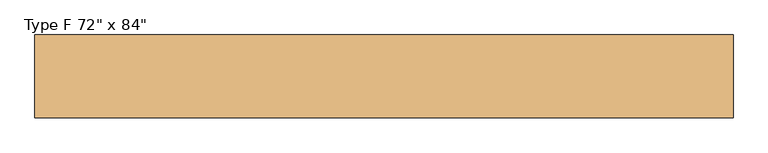
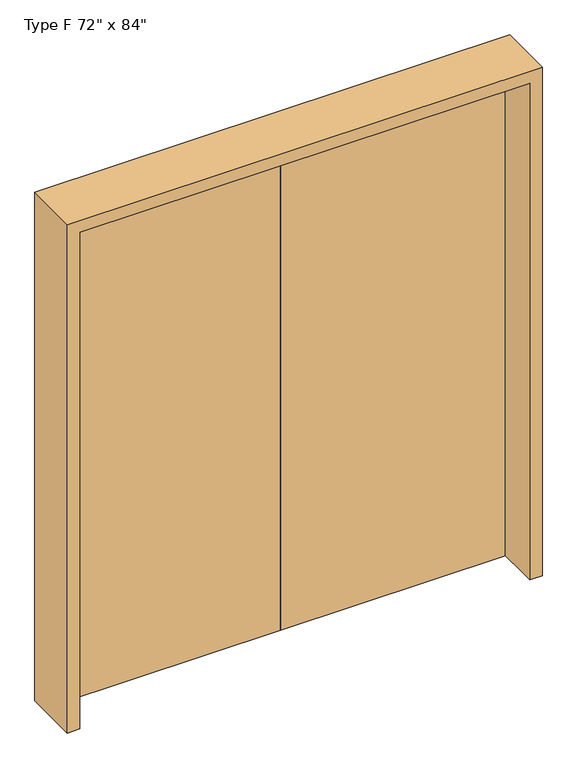
"""IFC4 building model written with IfcOpenShell, lengths in millimetres: door geometry."""

from ifc_helpers import new_model, si_unit, frame, origin, origin_with_axes, place, context, project, spatial, polyline, outline, extrude, source, transform, mapped, element, save


def door_7f9a11d6(model_context):
    return source(origin(), model_context, "Body", "SweptSolid", [
        extrude(outline(polyline([(0.0, 101.6), (0.0, 57.15), (-914.4, 57.15), (-914.4, 101.6), (0.0, 101.6)])), origin_with_axes(), (0.0, 0.0, 1.0), 2133.6),
        extrude(outline(polyline([(0.0, 101.6), (914.4, 101.6), (914.4, 57.15), (0.0, 57.15), (0.0, 101.6)])), origin_with_axes(), (0.0, 0.0, 1.0), 2133.6),
        extrude(outline(polyline([(0.0, 965.2), (2184.4, 965.2), (2184.4, -965.2), (0.0, -965.2), (0.0, -914.4), (2133.6, -914.4), (2133.6, 914.4), (0.0, 914.4), (0.0, 965.2)])), frame((0.0, -114.3, 0.0), z_axis=(0.0, 1.0, 0.0), x_axis=(0.0, 0.0, 1.0)), (0.0, 0.0, 1.0), 228.6),
    ])


if __name__ == "__main__":
    model = new_model("IFC4")
    model_context = context("Model", 3, world=origin())
    ifc_project = project(units=[si_unit("LENGTHUNIT", "METRE", prefix="MILLI")], contexts=[model_context])
    site = spatial("IfcSite", under=ifc_project)
    building = spatial("IfcBuilding", under=site)
    placement = place(None, origin())
    door_shape = door_7f9a11d6(model_context)
    element("IfcDoor", 1, ObjectType="Type F 72\" x 84\"", at=placement, inside=building, context=model_context, shape_type="MappedRepresentation", body=[
        mapped(door_shape, transform((0.0, 0.0, 0.0), x_axis=(1.0, 0.0, 0.0), y_axis=(0.0, 1.0, 0.0), z_axis=(0.0, 0.0, 1.0))),
    ])
    save(model, "model.ifc")
